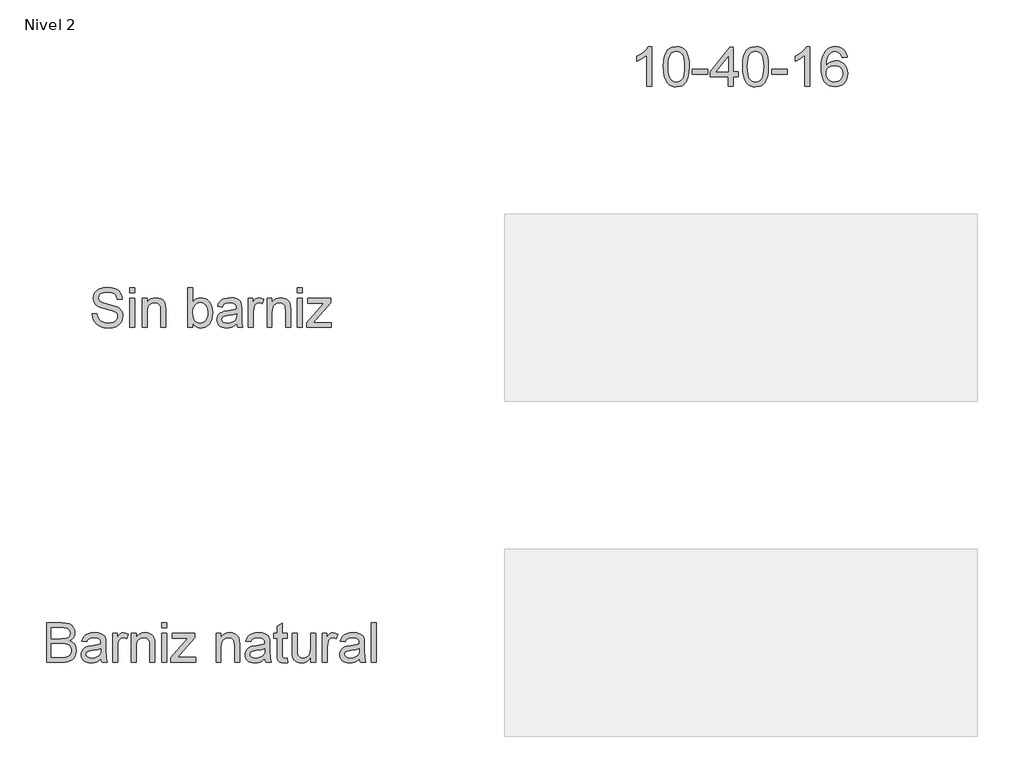
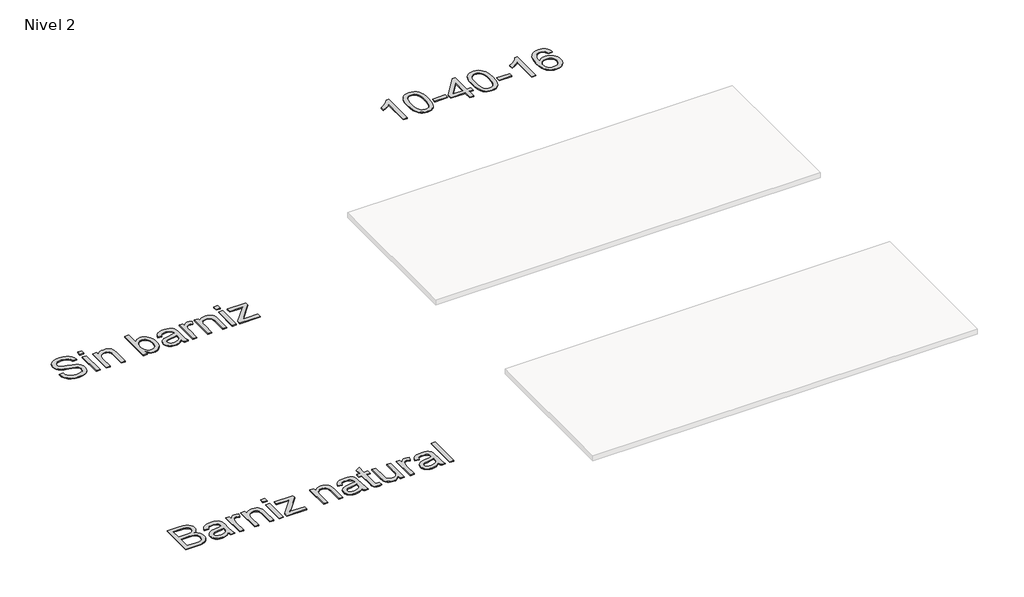
# One storey, part 8 of 51: 3 proxies.
"""IFC4 building model written with IfcOpenShell, lengths in millimetres."""

import ifcopenshell
import ifcopenshell.guid

model = None  # the IFC model being written
_history = None  # IfcOwnerHistory: only IFC2X3 demands one
_inside = {}  # id of a spatial element -> (the spatial element, [elements in it])
_under = {}  # id of a project, library or spatial element -> (it, [spatial elements below it])
_declared = {}  # id of a project -> (the project, [libraries it declares])
_typed = {}  # id of a type object -> (the type object, [elements of that type])
_made_of = {}  # id of a material, layer set ... -> (it, [elements and type objects made of it])


def new_model(schema):
    """Start an empty IFC model of exactly this schema.

    Asked for "IFC4X3", IfcOpenShell would pick the latest addendum, in which some entities
    have other attributes; the version numbers below select the first issue.
    IFC2X3 requires an IfcOwnerHistory on every rooted entity: one is made here for all.
    """
    global model, _history
    if schema == "IFC4X3":
        model = ifcopenshell.file(schema_version=(4, 3, 0, 0))
    else:
        model = ifcopenshell.file(schema=schema)
    _inside.clear()
    _under.clear()
    _declared.clear()
    _typed.clear()
    _made_of.clear()
    _history = None
    if model.schema == "IFC2X3":
        org = make("IfcOrganization", Name="unknown")
        user = make(
            "IfcPersonAndOrganization",
            ThePerson=make("IfcPerson", FamilyName="unknown"),
            TheOrganization=org,
        )
        app = make(
            "IfcApplication",
            ApplicationDeveloper=org,
            Version="unknown",
            ApplicationFullName="unknown",
            ApplicationIdentifier="unknown",
        )
        _history = make(
            "IfcOwnerHistory",
            OwningUser=user,
            OwningApplication=app,
            ChangeAction="ADDED",
            CreationDate=0,
        )
    return model


def make(cls, **values):
    """One entity of the class cls with the attributes given. An attribute that is None is left unset."""
    return model.create_entity(
        cls, **{name: value for name, value in values.items() if value is not None}
    )


def rooted(cls, **values):
    """An entity with a GlobalId (a new one), such as an element, a storey or a relation."""
    return make(cls, GlobalId=ifcopenshell.guid.new(), OwnerHistory=_history, **values)


def si_unit(unit_type, name, prefix=None):
    """IfcSIUnit, for example si_unit("LENGTHUNIT", "METRE", prefix="MILLI")."""
    return make("IfcSIUnit", UnitType=unit_type, Prefix=prefix, Name=name)


def assignment(units):
    """IfcUnitAssignment: the units of a project."""
    return None if units is None else make("IfcUnitAssignment", Units=units)


def point(xyz):
    """IfcCartesianPoint."""
    return None if xyz is None else make("IfcCartesianPoint", Coordinates=xyz)


def direction(xyz):
    """IfcDirection."""
    return None if xyz is None else make("IfcDirection", DirectionRatios=xyz)


def frame(location, z_axis=None, x_axis=None):
    """IfcAxis2Placement3D, a coordinate frame: its origin and axes. An axis left out is left unset."""
    return make(
        "IfcAxis2Placement3D",
        Location=point(location),
        Axis=direction(z_axis),
        RefDirection=direction(x_axis),
    )


def origin():
    """The frame at (0, 0, 0) with its axes left unset."""
    return frame((0.0, 0.0, 0.0))


def place(relative_to, where):
    """IfcLocalPlacement: puts the frame where relative to a parent placement (None: the world)."""
    return make(
        "IfcLocalPlacement", PlacementRelTo=relative_to, RelativePlacement=where
    )


def context(
    kind, dimensions, precision=None, world=None, true_north=None, identifier=None
):
    """IfcGeometricRepresentationContext, for example the 3D "Model" context."""
    return make(
        "IfcGeometricRepresentationContext",
        ContextIdentifier=identifier,
        ContextType=kind,
        CoordinateSpaceDimension=dimensions,
        Precision=precision,
        WorldCoordinateSystem=world,
        TrueNorth=true_north,
    )


def project(units=None, contexts=None):
    """IfcProject with its units and contexts."""
    return rooted(
        "IfcProject",
        Name="project",
        RepresentationContexts=contexts,
        UnitsInContext=assignment(units),
    )


def spatial(cls, under=None, at=None, **own):
    """A site, building, storey or space (cls), placed at a placement, below another one or the project."""
    s = rooted(cls, ObjectPlacement=at, **own)
    if under is not None:
        _under.setdefault(under.id(), (under, []))[1].append(s)
    return s


def polyline(points):
    """IfcPolyline through the points."""
    return make("IfcPolyline", Points=[point(p) for p in points])


def outline(outer, holes=None, kind="AREA"):
    """IfcArbitraryClosedProfileDef: a profile drawn as a closed curve; with holes, ...WithVoids."""
    if holes is None:
        return make("IfcArbitraryClosedProfileDef", ProfileType=kind, OuterCurve=outer)
    return make(
        "IfcArbitraryProfileDefWithVoids",
        ProfileType=kind,
        OuterCurve=outer,
        InnerCurves=holes,
    )


def extrude(swept, where, along, depth):
    """IfcExtrudedAreaSolid: the profile swept, set in the frame where, extruded along a direction by depth."""
    return make(
        "IfcExtrudedAreaSolid",
        SweptArea=swept,
        Position=where,
        ExtrudedDirection=direction(along),
        Depth=depth,
    )


def shape(context_of_items, identifier, shape_type, items):
    """IfcShapeRepresentation: the items that make up one representation, for example the "Body"."""
    return make(
        "IfcShapeRepresentation",
        ContextOfItems=context_of_items,
        RepresentationIdentifier=identifier,
        RepresentationType=shape_type,
        Items=items,
    )


def made_of(thing, what):
    """Note that an element or type object is made of a material, layer set ...; save() writes the relation."""
    if what is not None:
        _made_of.setdefault(what.id(), (what, []))[1].append(thing)
    return thing


def element(
    cls,
    number,
    at=None,
    inside=None,
    cuts=None,
    type_object=None,
    material=None,
    context=None,
    identifier="Body",
    shape_type=None,
    held_by="IfcProductDefinitionShape",
    body=None,
    shapes=None,
    **own,
):
    """One element of the class cls, such as IfcWall. Its Tag is "e" and its number.

    at: its placement. inside: the storey or other place that contains it. cuts: it is an
    opening in that element (IfcRelVoidsElement). A single representation is given by context,
    identifier, shape_type and body (its items); several are given by shapes. held_by: the class
    of the entity that holds the representations. save() writes the other relations.
    """
    e = rooted(cls, Tag="e%d" % number, ObjectPlacement=at, **own)
    if body is not None:
        shapes = [shape(context, identifier, shape_type, body)]
    if shapes is not None:
        e.Representation = make(held_by, Representations=shapes)
    if inside is not None:
        _inside.setdefault(inside.id(), (inside, []))[1].append(e)
    if cuts is not None:
        rooted(
            "IfcRelVoidsElement", RelatingBuildingElement=cuts, RelatedOpeningElement=e
        )
    if type_object is not None:
        _typed.setdefault(type_object.id(), (type_object, []))[1].append(e)
    return made_of(e, material)


def aggregate(whole, parts):
    """IfcRelAggregates: a whole, such as a stair, and the parts it consists of."""
    return rooted("IfcRelAggregates", RelatingObject=whole, RelatedObjects=parts)


def save(model, path):
    """Write the relations noted so far, then the file.

    IfcRelAggregates (storeys below a building ...), IfcRelContainedInSpatialStructure (elements
    in a storey), IfcRelDefinesByType, IfcRelAssociatesMaterial and IfcRelDeclares: one each for
    every whole, place, type object, material and project.
    """
    for whole, parts in _under.values():
        aggregate(whole, parts)
    for where, things in _inside.values():
        rooted(
            "IfcRelContainedInSpatialStructure",
            RelatedElements=things,
            RelatingStructure=where,
        )
    for kind, things in _typed.values():
        rooted("IfcRelDefinesByType", RelatedObjects=things, RelatingType=kind)
    for what, things in _made_of.values():
        rooted("IfcRelAssociatesMaterial", RelatedObjects=things, RelatingMaterial=what)
    for by, libraries in _declared.values():
        rooted("IfcRelDeclares", RelatingContext=by, RelatedDefinitions=libraries)
    model.write(path)


model = new_model("IFC4")

# Units and contexts
model_context = context("Model", 3, world=origin())
ifc_project = project(units=[si_unit("LENGTHUNIT", "METRE", prefix="MILLI")], contexts=[model_context])

# Site, building, storey
site = spatial("IfcSite", under=ifc_project)
building = spatial("IfcBuilding", under=site)
storey = spatial("IfcBuildingStorey", under=building, Name="Nivel 2", Elevation=3000.0)

# Proxies
placement = place(None, origin())
element("IfcBuildingElementProxy", 1, Name="Texto de modelo 1", ObjectType="Texto de modelo 1", at=placement, inside=storey, context=model_context, shape_type="SweptSolid", body=[
    extrude(outline(polyline([(-14286.3795874, -66742.1779204), (-14236.1514323, -66742.1779204), (-14230.3879477, -66770.0511129), (-14219.9646245, -66792.4551264), (-14203.7042403, -66810.2360895), (-14180.4295728, -66824.2401308), (-14151.9800318, -66833.3268161), (-14120.1950274, -66836.3557111), (-14092.2114703, -66834.06258), (-14067.7105294, -66827.1831867), (-14047.8571644, -66816.2938797), (-14033.8163349, -66801.9710073), (-14025.4654137, -66785.5266821), (-14022.6817732, -66768.2730166), (-14024.7664379, -66751.4608094), (-14031.0204318, -66736.9294706), (-14043.7246233, -66724.5318473), (-14065.1598809, -66714.1207869), (-14138.2948216, -66694.9418722), (-14186.3034219, -66682.2499434), (-14217.0215685, -66670.1711512), (-14242.0252815, -66653.2731049), (-14259.7449309, -66632.7943405), (-14270.3031442, -66609.1763164), (-14273.8225486, -66582.860491), (-14269.4692783, -66553.4421941), (-14256.4094675, -66526.01046), (-14234.9864726, -66502.7603179), (-14205.5436503, -66485.8867971), (-14170.2024533, -66475.6228894), (-14131.0843345, -66472.2015869), (-14088.7043286, -66475.7823049), (-14051.6218235, -66486.5244592), (-14021.1611943, -66504.2073204), (-13998.6468162, -66528.6101594), (-13984.3975203, -66558.2123973), (-13978.7321375, -66591.4934552), (-14028.9602926, -66591.4934552), (-14038.181868, -66561.5233353), (-14046.545052, -66549.6652723), (-14057.4098336, -66539.891874), (-14087.4535298, -66526.7952749), (-14129.1222972, -66522.4297419), (-14171.7720831, -66526.746224), (-14188.0753869, -66532.1418266), (-14201.0309645, -66539.6956702), (-14217.9535363, -66558.7519576), (-14223.5943935, -66581.388963), (-14219.5967425, -66600.690505), (-14207.6037895, -66616.2151252), (-14179.2523504, -66630.0965392), (-14125.59063, -66644.2722587), (-14070.212127, -66657.7367398), (-14036.71034, -66669.4844381), (-14008.076858, -66687.7068596), (-13988.1008657, -66710.1967123), (-13976.36543, -66736.7087414), (-13972.4536181, -66766.9976923), (-13976.9540412, -66797.9610936), (-13990.4553104, -66827.0850849), (-14012.4056028, -66852.1501115), (-14042.2530954, -66870.9366187), (-14078.1461154, -66882.6720543), (-14118.2329901, -66886.5838662), (-14167.4433383, -66882.365486), (-14207.947146, -66869.7103454), (-14240.210397, -66848.5693934), (-14264.6990751, -66818.8935791), (-14280.419899, -66782.7430417), (-14286.3795874, -66742.1779204)])), frame((0.0, 0.0, 3000.0), z_axis=(0.0, 0.0, 1.0), x_axis=(1.0, 0.0, 0.0)), (0.0, 0.0, 1.0), 10.0),
    extrude(outline(polyline([(-13903.3899049, -66528.7082613), (-13903.3899049, -66478.4801062), (-13853.1617498, -66478.4801062), (-13853.1617498, -66528.7082613), (-13903.3899049, -66528.7082613)])), frame((0.0, 0.0, 3000.0), z_axis=(0.0, 0.0, 1.0), x_axis=(1.0, 0.0, 0.0)), (0.0, 0.0, 1.0), 10.0),
    extrude(outline(polyline([(-13903.3899049, -66880.3053468), (-13903.3899049, -66585.2149358), (-13853.1617498, -66585.2149358), (-13853.1617498, -66880.3053468), (-13903.3899049, -66880.3053468)])), frame((0.0, 0.0, 3000.0), z_axis=(0.0, 0.0, 1.0), x_axis=(1.0, 0.0, 0.0)), (0.0, 0.0, 1.0), 10.0),
    extrude(outline(polyline([(-13777.8195172, -66880.3053468), (-13777.8195172, -66585.2149358), (-13727.5913622, -66585.2149358), (-13727.5913622, -66626.4177192), (-13710.1414929, -66605.6446492), (-13689.1844819, -66590.8067421), (-13664.7203292, -66581.9039978), (-13636.7490348, -66578.9364164), (-13611.9905765, -66581.3276494), (-13589.3167829, -66588.5013483), (-13570.4076484, -66599.5623336), (-13556.9431673, -66613.6154258), (-13547.8074311, -66630.6238367), (-13541.884531, -66650.5507781), (-13539.2357806, -66699.1112015), (-13539.2357806, -66880.3053468), (-13589.4639357, -66880.3053468), (-13589.4639357, -66705.8802302), (-13590.9109382, -66679.9077613), (-13595.2519458, -66661.4400852), (-13603.2595105, -66648.2085961), (-13615.7061847, -66637.9446884), (-13631.6600005, -66631.3596007), (-13650.1889904, -66629.1645715), (-13679.6072873, -66634.0941902), (-13704.6845766, -66648.8830464), (-13714.7062953, -66660.9557072), (-13721.8646658, -66677.4552147), (-13726.1596881, -66698.3815689), (-13727.5913622, -66723.7347697), (-13727.5913622, -66880.3053468), (-13777.8195172, -66880.3053468)])), frame((0.0, 0.0, 3000.0), z_axis=(0.0, 0.0, 1.0), x_axis=(1.0, 0.0, 0.0)), (0.0, 0.0, 1.0), 10.0),
    extrude(outline(polyline([(-13262.9809277, -66880.3053468), (-13313.2090828, -66880.3053468), (-13313.2090828, -66478.4801062), (-13262.9809277, -66478.4801062), (-13262.9809277, -66627.4968398), (-13246.4630261, -66606.2516545), (-13227.811409, -66591.0765222), (-13207.0260763, -66581.9714428), (-13184.107028, -66578.9364164), (-13158.232661, -66581.6710059), (-13133.780771, -66589.8747744), (-13112.1493097, -66603.0326871), (-13094.7362286, -66620.6297092), (-13081.0878066, -66642.4941624), (-13070.7503225, -66668.4543685), (-13064.2388112, -66697.431207), (-13062.0683074, -66728.3455574), (-13064.3154533, -66764.0178482), (-13071.0568908, -66795.3981824), (-13082.2926201, -66822.4865599), (-13098.0226411, -66845.2829809), (-13116.9041845, -66863.3521182), (-13137.594481, -66876.2586449), (-13160.0935307, -66884.0025609), (-13184.4013335, -66886.5838662), (-13208.0745399, -66883.2545342), (-13229.0622078, -66873.266538), (-13247.364337, -66856.6198777), (-13262.9809277, -66833.3145533), (-13262.9809277, -66880.3053468)]), holes=[polyline([(-13262.9809277, -66730.7000021), (-13259.5473624, -66772.5894986), (-13249.2466666, -66800.9409377), (-13237.0759039, -66816.4349011), (-13222.9308412, -66827.5020178), (-13206.8114784, -66834.1422878), (-13188.7178156, -66836.3557111), (-13173.6959675, -66834.7247676), (-13159.7287144, -66829.8319371), (-13146.8160564, -66821.6772195), (-13134.9579934, -66810.260615), (-13125.0435736, -66795.6127802), (-13117.9618452, -66777.764372), (-13113.7128082, -66756.7153906), (-13112.2964625, -66732.4658357), (-13117.7288533, -66686.5051118), (-13124.5193418, -66668.7118859), (-13134.0260257, -66654.3767509), (-13145.4579587, -66643.3464224), (-13158.0241945, -66635.4676163), (-13171.7247331, -66630.7403327), (-13186.5595746, -66629.1645715), (-13201.5814227, -66630.795515), (-13215.5486758, -66635.6883455), (-13228.4613338, -66643.8430631), (-13240.3193968, -66655.2596677), (-13250.2338166, -66669.7603496), (-13257.315545, -66687.1672994), (-13261.564582, -66707.4805169), (-13262.9809277, -66730.7000021)])]), frame((0.0, 0.0, 3000.0), z_axis=(0.0, 0.0, 1.0), x_axis=(1.0, 0.0, 0.0)), (0.0, 0.0, 1.0), 10.0),
    extrude(outline(polyline([(-12817.2060514, -66842.6342305), (-12841.2042202, -66863.2110968), (-12865.9136276, -66876.6755778), (-12891.8983592, -66884.1067941), (-12919.7225008, -66886.5838662), (-12942.0866604, -66885.0939441), (-12961.6978364, -66880.6241779), (-12978.5560288, -66873.1745675), (-12992.6612377, -66862.7451129), (-13003.7988651, -66849.9980018), (-13011.7543132, -66835.5954217), (-13016.5275821, -66819.5373726), (-13018.1186717, -66801.8238545), (-13015.715176, -66781.0017336), (-13008.5046889, -66762.0925991), (-12997.3823899, -66745.9057913), (-12983.2434586, -66733.2506506), (-12966.6274551, -66723.6857188), (-12948.0739398, -66716.7695372), (-12904.6148135, -66709.2156936), (-12853.258487, -66701.2694425), (-12817.500357, -66691.9497653), (-12817.2060514, -66680.7661527), (-12820.6641422, -66658.3498764), (-12831.0384144, -66643.6836475), (-12854.2395056, -66632.7943405), (-12886.5640703, -66629.1645715), (-12916.4851392, -66631.5803299), (-12937.3808365, -66638.8276052), (-12951.6301325, -66652.2307726), (-12961.6119973, -66673.1142072), (-13011.8401523, -66666.8356878), (-13003.1213491, -66639.3671655), (-12990.1105892, -66617.7847551), (-12971.5938621, -66601.2791162), (-12946.3571572, -66589.0409085), (-12915.4918578, -66581.4625394), (-12880.0893471, -66578.9364164), (-12846.133839, -66581.1682338), (-12819.2171397, -66587.8636861), (-12798.9223163, -66597.9313901), (-12784.8324359, -66610.2799624), (-12775.4882332, -66625.5470652), (-12769.430443, -66644.3703606), (-12766.9778964, -66688.3199963), (-12766.9778964, -66750.8108845), (-12764.4272479, -66838.0724938), (-12754.4208576, -66880.3053468), (-12804.6490127, -66880.3053468), (-12812.6933656, -66862.8432148), (-12817.2060514, -66842.6342305)]), holes=[polyline([(-12817.2060514, -66742.1779204), (-12850.9530931, -66750.5411044), (-12898.2381922, -66757.5799132), (-12941.4520639, -66765.7223681), (-12952.6969903, -66771.2896489), (-12961.0233861, -66778.9661199), (-12966.173734, -66788.1631698), (-12967.8905167, -66798.2921874), (-12964.150383, -66813.2281964), (-12952.9299822, -66825.4664041), (-12934.4745688, -66833.6333844), (-12909.0293974, -66836.3557111), (-12882.0513844, -66833.3513415), (-12858.2126312, -66824.3382326), (-12838.8865637, -66811.0576926), (-12825.4466081, -66795.2510296), (-12819.4869198, -66778.9661199), (-12817.500357, -66756.4026909), (-12817.2060514, -66742.1779204)])]), frame((0.0, 0.0, 3000.0), z_axis=(0.0, 0.0, 1.0), x_axis=(1.0, 0.0, 0.0)), (0.0, 0.0, 1.0), 10.0),
    extrude(outline(polyline([(-12697.9141831, -66880.3053468), (-12697.9141831, -66585.2149358), (-12653.9645474, -66585.2149358), (-12653.9645474, -66628.8702659), (-12637.7286887, -66603.5599846), (-12622.7681542, -66588.6485011), (-12607.7585688, -66581.3644376), (-12591.3755573, -66578.9364164), (-12566.3595816, -66582.8114401), (-12540.9511985, -66594.4365111), (-12557.7266175, -66639.4652673), (-12575.3849533, -66631.7397454), (-12593.043289, -66629.1645715), (-12608.0406117, -66631.6416436), (-12621.4437791, -66639.0728599), (-12632.2717725, -66650.8941346), (-12639.5435732, -66666.5413822), (-12645.6504143, -66694.5985157), (-12647.6860281, -66725.2062977), (-12647.6860281, -66880.3053468), (-12697.9141831, -66880.3053468)])), frame((0.0, 0.0, 3000.0), z_axis=(0.0, 0.0, 1.0), x_axis=(1.0, 0.0, 0.0)), (0.0, 0.0, 1.0), 10.0),
    extrude(outline(polyline([(-12509.5586016, -66880.3053468), (-12509.5586016, -66585.2149358), (-12459.3304465, -66585.2149358), (-12459.3304465, -66626.4177192), (-12441.8805772, -66605.6446492), (-12420.9235662, -66590.8067421), (-12396.4594135, -66581.9039978), (-12368.4881192, -66578.9364164), (-12343.7296609, -66581.3276494), (-12321.0558673, -66588.5013483), (-12302.1467327, -66599.5623336), (-12288.6822517, -66613.6154258), (-12279.5465155, -66630.6238367), (-12273.6236154, -66650.5507781), (-12270.974865, -66699.1112015), (-12270.974865, -66880.3053468), (-12321.2030201, -66880.3053468), (-12321.2030201, -66705.8802302), (-12322.6500226, -66679.9077613), (-12326.9910301, -66661.4400852), (-12334.9985949, -66648.2085961), (-12347.4452691, -66637.9446884), (-12363.3990849, -66631.3596007), (-12381.9280747, -66629.1645715), (-12411.3463716, -66634.0941902), (-12436.423661, -66648.8830464), (-12446.4453796, -66660.9557072), (-12453.6037501, -66677.4552147), (-12457.8987724, -66698.3815689), (-12459.3304465, -66723.7347697), (-12459.3304465, -66880.3053468), (-12509.5586016, -66880.3053468)])), frame((0.0, 0.0, 3000.0), z_axis=(0.0, 0.0, 1.0), x_axis=(1.0, 0.0, 0.0)), (0.0, 0.0, 1.0), 10.0),
    extrude(outline(polyline([(-12201.9111518, -66528.7082613), (-12201.9111518, -66478.4801062), (-12151.6829967, -66478.4801062), (-12151.6829967, -66528.7082613), (-12201.9111518, -66528.7082613)])), frame((0.0, 0.0, 3000.0), z_axis=(0.0, 0.0, 1.0), x_axis=(1.0, 0.0, 0.0)), (0.0, 0.0, 1.0), 10.0),
    extrude(outline(polyline([(-12201.9111518, -66880.3053468), (-12201.9111518, -66585.2149358), (-12151.6829967, -66585.2149358), (-12151.6829967, -66880.3053468), (-12201.9111518, -66880.3053468)])), frame((0.0, 0.0, 3000.0), z_axis=(0.0, 0.0, 1.0), x_axis=(1.0, 0.0, 0.0)), (0.0, 0.0, 1.0), 10.0),
    extrude(outline(polyline([(-12107.733361, -66880.3053468), (-12107.733361, -66833.0202477), (-11934.3873649, -66635.4430908), (-11985.6946405, -66635.4430908), (-12095.1763222, -66635.4430908), (-12095.1763222, -66585.2149358), (-11862.871105, -66585.2149358), (-11862.871105, -66627.8892472), (-12016.5967281, -66803.1972806), (-12040.1411757, -66830.0771918), (-11982.0648714, -66830.0771918), (-11856.5925856, -66830.0771918), (-11856.5925856, -66880.3053468), (-12107.733361, -66880.3053468)])), frame((0.0, 0.0, 3000.0), z_axis=(0.0, 0.0, 1.0), x_axis=(1.0, 0.0, 0.0)), (0.0, 0.0, 1.0), 10.0),
])
element("IfcBuildingElementProxy", 2, Name="Texto de modelo 1", ObjectType="Texto de modelo 1", at=placement, inside=storey, context=model_context, shape_type="SweptSolid", body=[
    extrude(outline(polyline([(-14747.8507621, -70280.3053468), (-14747.8507621, -69878.4801062), (-14594.5175465, -69878.4801062), (-14552.3460071, -69881.4354249), (-14519.4205686, -69890.301381), (-14494.1838637, -69905.2987037), (-14475.0785254, -69926.6481221), (-14463.0487842, -69951.7621997), (-14459.0388704, -69978.0534996), (-14462.4111221, -70002.2478721), (-14472.5278769, -70024.9952422), (-14489.4627114, -70044.8976581), (-14513.289202, -70060.5571684), (-14484.8273983, -70075.419601), (-14463.7968109, -70098.032081), (-14450.8105765, -70126.8985548), (-14446.4818317, -70160.5229692), (-14449.4371504, -70188.5433145), (-14458.3031064, -70214.5280461), (-14471.5345955, -70236.6254913), (-14487.5865133, -70252.9839773), (-14507.2436745, -70264.8297776), (-14531.2908943, -70273.3891653), (-14560.5129874, -70278.5763015), (-14595.6947689, -70280.3053468), (-14747.8507621, -70280.3053468)]), holes=[polyline([(-14697.622607, -70041.7216102), (-14605.8973629, -70041.7216102), (-14552.3337444, -70037.4051282), (-14533.5840254, -70029.9616491), (-14520.1072816, -70018.8148247), (-14511.9770895, -70004.1363331), (-14509.2670255, -69986.0978526), (-14511.7931485, -69968.5866696), (-14519.3715176, -69953.3318295), (-14531.6587763, -69941.4247156), (-14548.3115679, -69933.9567111), (-14573.8671039, -69930.0203738), (-14612.8625954, -69928.7082613), (-14697.622607, -69928.7082613), (-14697.622607, -70041.7216102)]), polyline([(-14697.622607, -70230.0771918), (-14594.6156484, -70230.0771918), (-14557.3369395, -70228.1151545), (-14525.7971898, -70217.1767965), (-14514.2211697, -70207.7467547), (-14504.9014925, -70194.8586221), (-14498.7578632, -70179.0887472), (-14496.7099867, -70161.0134785), (-14499.1134824, -70140.0196793), (-14506.3239695, -70121.9689361), (-14518.9177965, -70107.8545302), (-14537.4713118, -70098.6697431), (-14563.750349, -70093.6297598), (-14599.5207417, -70091.9497653), (-14697.622607, -70091.9497653), (-14697.622607, -70230.0771918)])]), frame((0.0, 0.0, 3000.0), z_axis=(0.0, 0.0, 1.0), x_axis=(1.0, 0.0, 0.0)), (0.0, 0.0, 1.0), 10.0),
    extrude(outline(polyline([(-14195.3410563, -70242.6342305), (-14219.3392251, -70263.2110968), (-14244.0486325, -70276.6755778), (-14270.033364, -70284.1067941), (-14297.8575056, -70286.5838662), (-14320.2216652, -70285.0939441), (-14339.8328413, -70280.6241779), (-14356.6910337, -70273.1745675), (-14370.7962425, -70262.7451129), (-14381.9338699, -70249.9980018), (-14389.8893181, -70235.5954217), (-14394.662587, -70219.5373726), (-14396.2536766, -70201.8238545), (-14393.8501809, -70181.0017336), (-14386.6396938, -70162.0925991), (-14375.5173948, -70145.9057913), (-14361.3784634, -70133.2506506), (-14344.76246, -70123.6857188), (-14326.2089447, -70116.7695372), (-14282.7498183, -70109.2156936), (-14231.3934918, -70101.2694425), (-14195.6353619, -70091.9497653), (-14195.3410563, -70080.7661527), (-14198.799147, -70058.3498764), (-14209.1734193, -70043.6836475), (-14232.3745105, -70032.7943405), (-14264.6990751, -70029.1645715), (-14294.6201441, -70031.5803299), (-14315.5158414, -70038.8276052), (-14329.7651373, -70052.2307726), (-14339.7470021, -70073.1142072), (-14389.9751572, -70066.8356878), (-14381.2563539, -70039.3671655), (-14368.245594, -70017.7847551), (-14349.7288669, -70001.2791162), (-14324.4921621, -69989.0409085), (-14293.6268627, -69981.4625394), (-14258.224352, -69978.9364164), (-14224.2688438, -69981.1682338), (-14197.3521445, -69987.8636861), (-14177.0573211, -69997.9313901), (-14162.9674407, -70010.2799624), (-14153.623238, -70025.5470652), (-14147.5654479, -70044.3703606), (-14145.1129012, -70088.3199963), (-14145.1129012, -70150.8108845), (-14142.5622527, -70238.0724938), (-14132.5558624, -70280.3053468), (-14182.7840175, -70280.3053468), (-14190.8283705, -70262.8432148), (-14195.3410563, -70242.6342305)]), holes=[polyline([(-14195.3410563, -70142.1779204), (-14229.088098, -70150.5411044), (-14276.3731971, -70157.5799132), (-14319.5870688, -70165.7223681), (-14330.8319951, -70171.2896489), (-14339.1583909, -70178.9661199), (-14344.3087389, -70188.1631698), (-14346.0255215, -70198.2921874), (-14342.2853879, -70213.2281964), (-14331.064987, -70225.4664041), (-14312.6095736, -70233.6333844), (-14287.1644023, -70236.3557111), (-14260.1863893, -70233.3513415), (-14236.347636, -70224.3382326), (-14217.0215685, -70211.0576926), (-14203.581613, -70195.2510296), (-14197.6219247, -70178.9661199), (-14195.6353619, -70156.4026909), (-14195.3410563, -70142.1779204)])]), frame((0.0, 0.0, 3000.0), z_axis=(0.0, 0.0, 1.0), x_axis=(1.0, 0.0, 0.0)), (0.0, 0.0, 1.0), 10.0),
    extrude(outline(polyline([(-14076.049188, -70280.3053468), (-14076.049188, -69985.2149358), (-14032.0995523, -69985.2149358), (-14032.0995523, -70028.8702659), (-14015.8636936, -70003.5599846), (-14000.9031591, -69988.6485011), (-13985.8935737, -69981.3644376), (-13969.5105622, -69978.9364164), (-13944.4945865, -69982.8114401), (-13919.0862034, -69994.4365111), (-13935.8616224, -70039.4652673), (-13953.5199581, -70031.7397454), (-13971.1782939, -70029.1645715), (-13986.1756166, -70031.6416436), (-13999.5787839, -70039.0728599), (-14010.4067773, -70050.8941346), (-14017.6785781, -70066.5413822), (-14023.7854192, -70094.5985157), (-14025.8210329, -70125.2062977), (-14025.8210329, -70280.3053468), (-14076.049188, -70280.3053468)])), frame((0.0, 0.0, 3000.0), z_axis=(0.0, 0.0, 1.0), x_axis=(1.0, 0.0, 0.0)), (0.0, 0.0, 1.0), 10.0),
    extrude(outline(polyline([(-13887.6936065, -70280.3053468), (-13887.6936065, -69985.2149358), (-13837.4654514, -69985.2149358), (-13837.4654514, -70026.4177192), (-13820.0155821, -70005.6446492), (-13799.0585711, -69990.8067421), (-13774.5944184, -69981.9039978), (-13746.623124, -69978.9364164), (-13721.8646658, -69981.3276494), (-13699.1908721, -69988.5013483), (-13680.2817376, -69999.5623336), (-13666.8172566, -70013.6154258), (-13657.6815203, -70030.6238367), (-13651.7586202, -70050.5507781), (-13649.1098699, -70099.1112015), (-13649.1098699, -70280.3053468), (-13699.3380249, -70280.3053468), (-13699.3380249, -70105.8802302), (-13700.7850274, -70079.9077613), (-13705.126035, -70061.4400852), (-13713.1335997, -70048.2085961), (-13725.5802739, -70037.9446884), (-13741.5340898, -70031.3596007), (-13760.0630796, -70029.1645715), (-13789.4813765, -70034.0941902), (-13814.5586658, -70048.8830464), (-13824.5803845, -70060.9557072), (-13831.738755, -70077.4552147), (-13836.0337773, -70098.3815689), (-13837.4654514, -70123.7347697), (-13837.4654514, -70280.3053468), (-13887.6936065, -70280.3053468)])), frame((0.0, 0.0, 3000.0), z_axis=(0.0, 0.0, 1.0), x_axis=(1.0, 0.0, 0.0)), (0.0, 0.0, 1.0), 10.0),
    extrude(outline(polyline([(-13580.0461566, -69928.7082613), (-13580.0461566, -69878.4801062), (-13529.8180016, -69878.4801062), (-13529.8180016, -69928.7082613), (-13580.0461566, -69928.7082613)])), frame((0.0, 0.0, 3000.0), z_axis=(0.0, 0.0, 1.0), x_axis=(1.0, 0.0, 0.0)), (0.0, 0.0, 1.0), 10.0),
    extrude(outline(polyline([(-13580.0461566, -70280.3053468), (-13580.0461566, -69985.2149358), (-13529.8180016, -69985.2149358), (-13529.8180016, -70280.3053468), (-13580.0461566, -70280.3053468)])), frame((0.0, 0.0, 3000.0), z_axis=(0.0, 0.0, 1.0), x_axis=(1.0, 0.0, 0.0)), (0.0, 0.0, 1.0), 10.0),
    extrude(outline(polyline([(-13485.8683659, -70280.3053468), (-13485.8683659, -70233.0202477), (-13312.5223697, -70035.4430908), (-13363.8296453, -70035.4430908), (-13473.3113271, -70035.4430908), (-13473.3113271, -69985.2149358), (-13241.0061099, -69985.2149358), (-13241.0061099, -70027.8892472), (-13394.7317329, -70203.1972806), (-13418.2761806, -70230.0771918), (-13360.1998763, -70230.0771918), (-13234.7275905, -70230.0771918), (-13234.7275905, -70280.3053468), (-13485.8683659, -70280.3053468)])), frame((0.0, 0.0, 3000.0), z_axis=(0.0, 0.0, 1.0), x_axis=(1.0, 0.0, 0.0)), (0.0, 0.0, 1.0), 10.0),
    extrude(outline(polyline([(-13027.5364508, -70280.3053468), (-13027.5364508, -69985.2149358), (-12977.3082957, -69985.2149358), (-12977.3082957, -70026.4177192), (-12959.8584264, -70005.6446492), (-12938.9014154, -69990.8067421), (-12914.4372628, -69981.9039978), (-12886.4659684, -69978.9364164), (-12861.7075101, -69981.3276494), (-12839.0337165, -69988.5013483), (-12820.1245819, -69999.5623336), (-12806.6601009, -70013.6154258), (-12797.5243647, -70030.6238367), (-12791.6014646, -70050.5507781), (-12788.9527142, -70099.1112015), (-12788.9527142, -70280.3053468), (-12839.1808693, -70280.3053468), (-12839.1808693, -70105.8802302), (-12840.6278718, -70079.9077613), (-12844.9688793, -70061.4400852), (-12852.9764441, -70048.2085961), (-12865.4231183, -70037.9446884), (-12881.3769341, -70031.3596007), (-12899.9059239, -70029.1645715), (-12929.3242208, -70034.0941902), (-12954.4015102, -70048.8830464), (-12964.4232288, -70060.9557072), (-12971.5815993, -70077.4552147), (-12975.8766216, -70098.3815689), (-12977.3082957, -70123.7347697), (-12977.3082957, -70280.3053468), (-13027.5364508, -70280.3053468)])), frame((0.0, 0.0, 3000.0), z_axis=(0.0, 0.0, 1.0), x_axis=(1.0, 0.0, 0.0)), (0.0, 0.0, 1.0), 10.0),
    extrude(outline(polyline([(-12531.5334194, -70242.6342305), (-12555.5315883, -70263.2110968), (-12580.2409956, -70276.6755778), (-12606.2257272, -70284.1067941), (-12634.0498688, -70286.5838662), (-12656.4140284, -70285.0939441), (-12676.0252044, -70280.6241779), (-12692.8833968, -70273.1745675), (-12706.9886057, -70262.7451129), (-12718.1262331, -70249.9980018), (-12726.0816812, -70235.5954217), (-12730.8549501, -70219.5373726), (-12732.4460397, -70201.8238545), (-12730.042544, -70181.0017336), (-12722.8320569, -70162.0925991), (-12711.7097579, -70145.9057913), (-12697.5708266, -70133.2506506), (-12680.9548231, -70123.6857188), (-12662.4013079, -70116.7695372), (-12618.9421815, -70109.2156936), (-12567.585855, -70101.2694425), (-12531.827725, -70091.9497653), (-12531.5334194, -70080.7661527), (-12534.9915102, -70058.3498764), (-12545.3657825, -70043.6836475), (-12568.5668736, -70032.7943405), (-12600.8914383, -70029.1645715), (-12630.8125072, -70031.5803299), (-12651.7082045, -70038.8276052), (-12665.9575005, -70052.2307726), (-12675.9393653, -70073.1142072), (-12726.1675204, -70066.8356878), (-12717.4487171, -70039.3671655), (-12704.4379572, -70017.7847551), (-12685.9212301, -70001.2791162), (-12660.6845252, -69989.0409085), (-12629.8192258, -69981.4625394), (-12594.4167151, -69978.9364164), (-12560.461207, -69981.1682338), (-12533.5445077, -69987.8636861), (-12513.2496843, -69997.9313901), (-12499.1598039, -70010.2799624), (-12489.8156012, -70025.5470652), (-12483.757811, -70044.3703606), (-12481.3052644, -70088.3199963), (-12481.3052644, -70150.8108845), (-12478.7546159, -70238.0724938), (-12468.7482256, -70280.3053468), (-12518.9763807, -70280.3053468), (-12527.0207336, -70262.8432148), (-12531.5334194, -70242.6342305)]), holes=[polyline([(-12531.5334194, -70142.1779204), (-12565.2804611, -70150.5411044), (-12612.5655602, -70157.5799132), (-12655.7794319, -70165.7223681), (-12667.0243583, -70171.2896489), (-12675.3507541, -70178.9661199), (-12680.501102, -70188.1631698), (-12682.2178847, -70198.2921874), (-12678.477751, -70213.2281964), (-12667.2573502, -70225.4664041), (-12648.8019368, -70233.6333844), (-12623.3567654, -70236.3557111), (-12596.3787525, -70233.3513415), (-12572.5399992, -70224.3382326), (-12553.2139317, -70211.0576926), (-12539.7739761, -70195.2510296), (-12533.8142878, -70178.9661199), (-12531.827725, -70156.4026909), (-12531.5334194, -70142.1779204)])]), frame((0.0, 0.0, 3000.0), z_axis=(0.0, 0.0, 1.0), x_axis=(1.0, 0.0, 0.0)), (0.0, 0.0, 1.0), 10.0),
    extrude(outline(polyline([(-12305.5067216, -70238.4158503), (-12299.2282022, -70281.7768748), (-12336.8012167, -70286.5838662), (-12360.9097501, -70284.4992016), (-12378.8869169, -70278.2452077), (-12391.5911085, -70268.6066994), (-12399.8807161, -70256.3684917), (-12404.4424528, -70235.350167), (-12405.9630318, -70199.3713079), (-12405.9630318, -70035.4430908), (-12443.6341481, -70035.4430908), (-12443.6341481, -69985.2149358), (-12405.9630318, -69985.2149358), (-12405.9630318, -69913.5024722), (-12355.7348767, -69883.9738107), (-12355.7348767, -69985.2149358), (-12305.5067216, -69985.2149358), (-12305.5067216, -70035.4430908), (-12355.7348767, -70035.4430908), (-12355.7348767, -70197.8997799), (-12353.0861263, -70223.7986724), (-12344.5022131, -70232.9711968), (-12327.3834376, -70236.3557111), (-12305.5067216, -70238.4158503)])), frame((0.0, 0.0, 3000.0), z_axis=(0.0, 0.0, 1.0), x_axis=(1.0, 0.0, 0.0)), (0.0, 0.0, 1.0), 10.0),
    extrude(outline(polyline([(-12066.922985, -70280.3053468), (-12066.922985, -70229.5866824), (-12085.0963556, -70254.5229503), (-12106.261833, -70272.3345703), (-12130.4194174, -70283.0215422), (-12157.5691086, -70286.5838662), (-12182.0332613, -70284.0822687), (-12204.8051568, -70276.577476), (-12223.9104951, -70265.2957614), (-12237.3749761, -70251.4633984), (-12246.4371359, -70234.663454), (-12252.3355106, -70214.4789952), (-12255.2785665, -70167.7825072), (-12255.2785665, -69985.2149358), (-12205.0504115, -69985.2149358), (-12205.0504115, -70144.1399577), (-12202.0092536, -70195.3491314), (-12194.6884019, -70212.4311187), (-12182.1436259, -70225.4173532), (-12165.2087914, -70233.6211216), (-12144.7177642, -70236.3557111), (-12123.0495147, -70233.559808), (-12102.7792168, -70225.1720985), (-12086.0651115, -70211.9651349), (-12075.0654398, -70194.7114693), (-12068.9585987, -70171.0811825), (-12066.922985, -70138.7443551), (-12066.922985, -69985.2149358), (-12016.6948299, -69985.2149358), (-12016.6948299, -70280.3053468), (-12066.922985, -70280.3053468)])), frame((0.0, 0.0, 3000.0), z_axis=(0.0, 0.0, 1.0), x_axis=(1.0, 0.0, 0.0)), (0.0, 0.0, 1.0), 10.0),
    extrude(outline(polyline([(-11947.6311167, -70280.3053468), (-11947.6311167, -69985.2149358), (-11903.681481, -69985.2149358), (-11903.681481, -70028.8702659), (-11887.4456223, -70003.5599846), (-11872.4850878, -69988.6485011), (-11857.4755024, -69981.3644376), (-11841.0924909, -69978.9364164), (-11816.0765152, -69982.8114401), (-11790.6681321, -69994.4365111), (-11807.4435511, -70039.4652673), (-11825.1018868, -70031.7397454), (-11842.7602226, -70029.1645715), (-11857.7575453, -70031.6416436), (-11871.1607126, -70039.0728599), (-11881.988706, -70050.8941346), (-11889.2605068, -70066.5413822), (-11895.3673479, -70094.5985157), (-11897.4029616, -70125.2062977), (-11897.4029616, -70280.3053468), (-11947.6311167, -70280.3053468)])), frame((0.0, 0.0, 3000.0), z_axis=(0.0, 0.0, 1.0), x_axis=(1.0, 0.0, 0.0)), (0.0, 0.0, 1.0), 10.0),
    extrude(outline(polyline([(-11570.9199536, -70242.6342305), (-11594.9181225, -70263.2110968), (-11619.6275298, -70276.6755778), (-11645.6122614, -70284.1067941), (-11673.436403, -70286.5838662), (-11695.8005626, -70285.0939441), (-11715.4117386, -70280.6241779), (-11732.269931, -70273.1745675), (-11746.3751399, -70262.7451129), (-11757.5127673, -70249.9980018), (-11765.4682154, -70235.5954217), (-11770.2414843, -70219.5373726), (-11771.8325739, -70201.8238545), (-11769.4290782, -70181.0017336), (-11762.2185911, -70162.0925991), (-11751.0962921, -70145.9057913), (-11736.9573608, -70133.2506506), (-11720.3413573, -70123.6857188), (-11701.7878421, -70116.7695372), (-11658.3287157, -70109.2156936), (-11606.9723892, -70101.2694425), (-11571.2142592, -70091.9497653), (-11570.9199536, -70080.7661527), (-11574.3780444, -70058.3498764), (-11584.7523167, -70043.6836475), (-11607.9534078, -70032.7943405), (-11640.2779725, -70029.1645715), (-11670.1990414, -70031.5803299), (-11691.0947387, -70038.8276052), (-11705.3440347, -70052.2307726), (-11715.3258995, -70073.1142072), (-11765.5540545, -70066.8356878), (-11756.8352513, -70039.3671655), (-11743.8244914, -70017.7847551), (-11725.3077643, -70001.2791162), (-11700.0710594, -69989.0409085), (-11669.20576, -69981.4625394), (-11633.8032493, -69978.9364164), (-11599.8477412, -69981.1682338), (-11572.9310419, -69987.8636861), (-11552.6362185, -69997.9313901), (-11538.5463381, -70010.2799624), (-11529.2021354, -70025.5470652), (-11523.1443452, -70044.3703606), (-11520.6917986, -70088.3199963), (-11520.6917986, -70150.8108845), (-11518.1411501, -70238.0724938), (-11508.1347598, -70280.3053468), (-11558.3629149, -70280.3053468), (-11566.4072678, -70262.8432148), (-11570.9199536, -70242.6342305)]), holes=[polyline([(-11570.9199536, -70142.1779204), (-11604.6669953, -70150.5411044), (-11651.9520944, -70157.5799132), (-11695.1659661, -70165.7223681), (-11706.4108925, -70171.2896489), (-11714.7372883, -70178.9661199), (-11719.8876362, -70188.1631698), (-11721.6044189, -70198.2921874), (-11717.8642852, -70213.2281964), (-11706.6438844, -70225.4664041), (-11688.188471, -70233.6333844), (-11662.7432996, -70236.3557111), (-11635.7652867, -70233.3513415), (-11611.9265334, -70224.3382326), (-11592.6004659, -70211.0576926), (-11579.1605103, -70195.2510296), (-11573.200822, -70178.9661199), (-11571.2142592, -70156.4026909), (-11570.9199536, -70142.1779204)])]), frame((0.0, 0.0, 3000.0), z_axis=(0.0, 0.0, 1.0), x_axis=(1.0, 0.0, 0.0)), (0.0, 0.0, 1.0), 10.0),
    extrude(outline(polyline([(-11451.6280853, -70280.3053468), (-11451.6280853, -69878.4801062), (-11401.3999303, -69878.4801062), (-11401.3999303, -70280.3053468), (-11451.6280853, -70280.3053468)])), frame((0.0, 0.0, 3000.0), z_axis=(0.0, 0.0, 1.0), x_axis=(1.0, 0.0, 0.0)), (0.0, 0.0, 1.0), 10.0),
])
element("IfcBuildingElementProxy", 3, Name="Texto de modelo 1", ObjectType="Texto de modelo 1", at=placement, inside=storey, context=model_context, shape_type="SweptSolid", body=[
    extrude(outline(polyline([(-8605.2655998, -64430.3053468), (-8655.4937549, -64430.3053468), (-8655.4937549, -64117.1641925), (-8676.4630286, -64134.1235525), (-8703.0731596, -64151.058387), (-8755.950065, -64176.4177192), (-8755.950065, -64128.9364164), (-8716.5008524, -64107.4766333), (-8682.3246151, -64081.9456229), (-8655.3833903, -64054.7959316), (-8637.6392154, -64028.4801062), (-8605.2655998, -64028.4801062), (-8605.2655998, -64430.3053468)])), frame((0.0, 0.0, 3000.0), z_axis=(0.0, 0.0, 1.0), x_axis=(1.0, 0.0, 0.0)), (0.0, 0.0, 1.0), 10.0),
    extrude(outline(polyline([(-8485.9737315, -64232.6300881), (-8482.2826488, -64168.3120526), (-8471.2094008, -64117.0170397), (-8452.8643519, -64077.9602346), (-8441.006289, -64062.7268543), (-8427.357867, -64050.3568222), (-8411.8731006, -64040.785759), (-8394.5060048, -64033.9492852), (-8354.1248244, -64028.4801062), (-8323.1736859, -64031.7174678), (-8295.4599089, -64041.4295525), (-8272.2833433, -64057.2362155), (-8254.9438385, -64078.7573122), (-8241.8472395, -64105.8089016), (-8231.3993909, -64138.2070427), (-8224.5567857, -64179.3485125), (-8222.2759174, -64232.6300881), (-8225.9302119, -64296.5802416), (-8236.8930953, -64347.7526271), (-8255.1277795, -64386.8462205), (-8266.9582514, -64402.125586), (-8280.5974763, -64414.5599974), (-8296.1006368, -64424.19544), (-8313.5229149, -64431.077899), (-8354.1248244, -64436.5838662), (-8381.7895505, -64434.1926333), (-8406.3150168, -64427.0189343), (-8427.7012235, -64415.0627695), (-8445.9481704, -64398.3241387), (-8463.4593534, -64368.0658446), (-8475.9673412, -64330.3640715), (-8483.4721339, -64285.2188193), (-8485.9737315, -64232.6300881)]), holes=[polyline([(-8435.7455764, -64232.5319862), (-8434.2740485, -64276.1965134), (-8429.8594645, -64311.5407761), (-8422.5018246, -64338.5647743), (-8412.2011287, -64357.2685081), (-8399.7421918, -64369.9941594), (-8385.9098288, -64379.0839104), (-8370.7040397, -64384.537761), (-8354.1248244, -64386.3557111), (-8337.5456092, -64384.5316296), (-8322.3398201, -64379.0593849), (-8308.507457, -64369.9389771), (-8296.0485201, -64357.1704062), (-8285.7478243, -64338.4360156), (-8278.3901844, -64311.4181487), (-8273.9756004, -64276.1168056), (-8272.5040724, -64232.5319862), (-8273.9265495, -64190.0232217), (-8278.1939806, -64155.3012927), (-8285.3063659, -64128.3661993), (-8295.2637052, -64109.2179414), (-8307.5141757, -64095.8699564), (-8321.5059542, -64086.3356813), (-8337.2390409, -64080.6151163), (-8354.7134356, -64078.7082613), (-8371.2068118, -64080.3882558), (-8386.1550835, -64085.4282391), (-8399.5582508, -64093.8282113), (-8411.4163138, -64105.5881724), (-8422.0603662, -64126.4348188), (-8429.6632608, -64154.5410033), (-8434.2249975, -64189.9067257), (-8435.7455764, -64232.5319862)])]), frame((0.0, 0.0, 3000.0), z_axis=(0.0, 0.0, 1.0), x_axis=(1.0, 0.0, 0.0)), (0.0, 0.0, 1.0), 10.0),
    extrude(outline(polyline([(-8190.8833205, -64311.0134785), (-8190.8833205, -64260.7853235), (-8033.9203358, -64260.7853235), (-8033.9203358, -64311.0134785), (-8190.8833205, -64311.0134785)])), frame((0.0, 0.0, 3000.0), z_axis=(0.0, 0.0, 1.0), x_axis=(1.0, 0.0, 0.0)), (0.0, 0.0, 1.0), 10.0),
    extrude(outline(polyline([(-7826.7291962, -64430.3053468), (-7826.7291962, -64336.1275561), (-8008.8062583, -64336.1275561), (-8008.8062583, -64285.899401), (-7814.1721574, -64034.7586256), (-7776.5010411, -64034.7586256), (-7776.5010411, -64285.899401), (-7726.272886, -64285.899401), (-7726.272886, -64336.1275561), (-7776.5010411, -64336.1275561), (-7776.5010411, -64430.3053468), (-7826.7291962, -64430.3053468)]), holes=[polyline([(-7826.7291962, -64285.899401), (-7826.7291962, -64130.70225), (-7947.0020831, -64285.899401), (-7826.7291962, -64285.899401)])]), frame((0.0, 0.0, 3000.0), z_axis=(0.0, 0.0, 1.0), x_axis=(1.0, 0.0, 0.0)), (0.0, 0.0, 1.0), 10.0),
    extrude(outline(polyline([(-7682.3232503, -64232.6300881), (-7678.6321676, -64168.3120526), (-7667.5589196, -64117.0170397), (-7649.2138708, -64077.9602346), (-7637.3558078, -64062.7268543), (-7623.7073858, -64050.3568222), (-7608.2226194, -64040.785759), (-7590.8555236, -64033.9492852), (-7550.4743432, -64028.4801062), (-7519.5232047, -64031.7174678), (-7491.8094277, -64041.4295525), (-7468.6328621, -64057.2362155), (-7451.2933573, -64078.7573122), (-7438.1967583, -64105.8089016), (-7427.7489097, -64138.2070427), (-7420.9063045, -64179.3485125), (-7418.6254362, -64232.6300881), (-7422.2797307, -64296.5802416), (-7433.2426141, -64347.7526271), (-7451.4772983, -64386.8462205), (-7463.3077702, -64402.125586), (-7476.9469951, -64414.5599974), (-7492.4501556, -64424.19544), (-7509.8724337, -64431.077899), (-7550.4743432, -64436.5838662), (-7578.1390693, -64434.1926333), (-7602.6645356, -64427.0189343), (-7624.0507423, -64415.0627695), (-7642.2976892, -64398.3241387), (-7659.8088722, -64368.0658446), (-7672.31686, -64330.3640715), (-7679.8216528, -64285.2188193), (-7682.3232503, -64232.6300881)]), holes=[polyline([(-7632.0950952, -64232.5319862), (-7630.6235673, -64276.1965134), (-7626.2089833, -64311.5407761), (-7618.8513434, -64338.5647743), (-7608.5506476, -64357.2685081), (-7596.0917106, -64369.9941594), (-7582.2593476, -64379.0839104), (-7567.0535585, -64384.537761), (-7550.4743432, -64386.3557111), (-7533.895128, -64384.5316296), (-7518.6893389, -64379.0593849), (-7504.8569758, -64369.9389771), (-7492.3980389, -64357.1704062), (-7482.0973431, -64338.4360156), (-7474.7397032, -64311.4181487), (-7470.3251192, -64276.1168056), (-7468.8535913, -64232.5319862), (-7470.2760683, -64190.0232217), (-7474.5434994, -64155.3012927), (-7481.6558847, -64128.3661993), (-7491.613224, -64109.2179414), (-7503.8636945, -64095.8699564), (-7517.855473, -64086.3356813), (-7533.5885597, -64080.6151163), (-7551.0629544, -64078.7082613), (-7567.5563306, -64080.3882558), (-7582.5046023, -64085.4282391), (-7595.9077697, -64093.8282113), (-7607.7658326, -64105.5881724), (-7618.409885, -64126.4348188), (-7626.0127796, -64154.5410033), (-7630.5745163, -64189.9067257), (-7632.0950952, -64232.5319862)])]), frame((0.0, 0.0, 3000.0), z_axis=(0.0, 0.0, 1.0), x_axis=(1.0, 0.0, 0.0)), (0.0, 0.0, 1.0), 10.0),
    extrude(outline(polyline([(-7387.2328393, -64311.0134785), (-7387.2328393, -64260.7853235), (-7230.2698546, -64260.7853235), (-7230.2698546, -64311.0134785), (-7387.2328393, -64311.0134785)])), frame((0.0, 0.0, 3000.0), z_axis=(0.0, 0.0, 1.0), x_axis=(1.0, 0.0, 0.0)), (0.0, 0.0, 1.0), 10.0),
    extrude(outline(polyline([(-6997.9646374, -64430.3053468), (-7048.1927925, -64430.3053468), (-7048.1927925, -64117.1641925), (-7069.1620662, -64134.1235525), (-7095.7721972, -64151.058387), (-7148.6491026, -64176.4177192), (-7148.6491026, -64128.9364164), (-7109.19989, -64107.4766333), (-7075.0236527, -64081.9456229), (-7048.0824279, -64054.7959316), (-7030.338253, -64028.4801062), (-6997.9646374, -64028.4801062), (-6997.9646374, -64430.3053468)])), frame((0.0, 0.0, 3000.0), z_axis=(0.0, 0.0, 1.0), x_axis=(1.0, 0.0, 0.0)), (0.0, 0.0, 1.0), 10.0),
    extrude(outline(polyline([(-6621.2534744, -64135.2149358), (-6671.4816294, -64141.4934552), (-6679.5750333, -64116.6001068), (-6690.5133913, -64099.6039586), (-6713.2975496, -64083.9321856), (-6740.8396483, -64078.7082613), (-6764.1878922, -64081.7494191), (-6786.1627101, -64090.8728926), (-6805.0350564, -64110.0885955), (-6820.449312, -64136.539311), (-6830.8603725, -64173.9529099), (-6834.7231334, -64226.0572631), (-6814.5754628, -64202.5496036), (-6790.4301412, -64185.9826511), (-6763.6360692, -64176.1602018), (-6735.5421475, -64172.8860521), (-6711.4090886, -64175.1240009), (-6689.1399652, -64181.8378473), (-6668.7347772, -64193.0275913), (-6650.1935247, -64208.6932329), (-6634.7854004, -64227.9028045), (-6623.7795974, -64249.7243381), (-6617.1761156, -64274.157834), (-6614.974955, -64301.203292), (-6619.1197588, -64337.1698884), (-6631.5541702, -64370.5122599), (-6651.2481197, -64398.7901226), (-6677.1715376, -64419.5631926), (-6708.1472016, -64432.3286978), (-6742.9978893, -64436.5838662), (-6772.940418, -64433.7634376), (-6799.9828104, -64425.3021517), (-6824.1250663, -64411.2000086), (-6845.3671858, -64391.4570081), (-6862.6852307, -64365.2392846), (-6875.0552628, -64331.7129721), (-6882.4772821, -64290.8780707), (-6884.9512885, -64242.7345802), (-6882.2044363, -64188.7601602), (-6873.9638796, -64142.695203), (-6860.2296184, -64104.5397087), (-6841.0016528, -64074.2936774), (-6820.1611378, -64054.25024), (-6795.9974221, -64039.933499), (-6768.5105057, -64031.3434544), (-6737.7003886, -64028.4801062), (-6714.5667424, -64030.2520712), (-6693.6281255, -64035.567966), (-6674.8845379, -64044.4277907), (-6658.3359795, -64056.8315453), (-6644.4300401, -64072.3622969), (-6633.6143094, -64090.6031125), (-6625.8887875, -64111.5539921), (-6621.2534744, -64135.2149358)]), holes=[polyline([(-6834.7231334, -64300.4184771), (-6831.8168657, -64322.6753378), (-6823.0980624, -64343.9266544), (-6809.560005, -64362.1981268), (-6792.1959748, -64375.515455), (-6771.2389638, -64383.6456471), (-6746.9219639, -64386.3557111), (-6713.7757962, -64380.7393794), (-6699.8606597, -64373.7189646), (-6687.7174882, -64363.890384), (-6677.8674477, -64351.6521763), (-6670.8317046, -64337.4028803), (-6665.2031101, -64302.8710237), (-6670.7581282, -64269.7248559), (-6677.7019008, -64256.1040251), (-6687.4231826, -64244.4513629), (-6699.6031423, -64235.1163572), (-6713.9229489, -64228.4484961), (-6748.9821031, -64223.1142072), (-6782.0792199, -64228.4484961), (-6809.7562087, -64244.4513629), (-6820.6792383, -64255.9507409), (-6828.4814022, -64269.1117193), (-6833.1627006, -64283.934298), (-6834.7231334, -64300.4184771)])]), frame((0.0, 0.0, 3000.0), z_axis=(0.0, 0.0, 1.0), x_axis=(1.0, 0.0, 0.0)), (0.0, 0.0, 1.0), 10.0),
])

save(model, "model.ifc")
